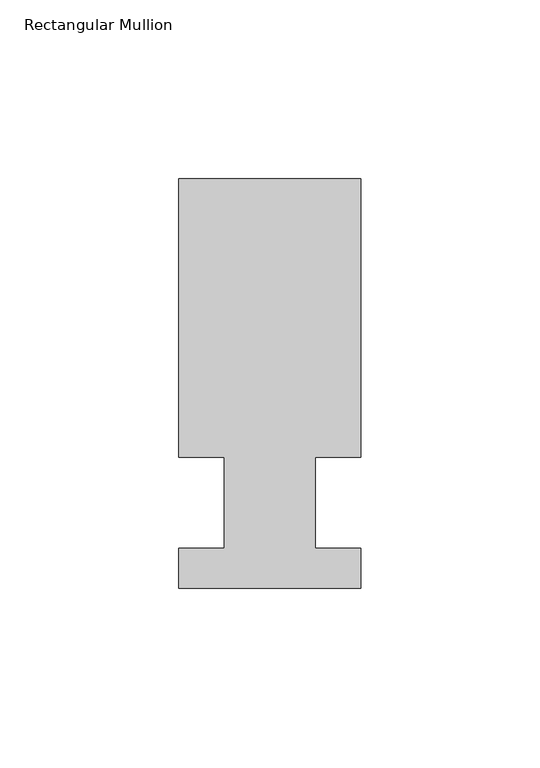
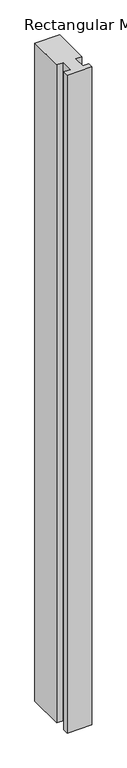
"""IFC4 building model written with IfcOpenShell, lengths in millimetres: member geometry, Rectangular Mullion."""

from ifc_helpers import new_model, si_unit, frame, origin, place, context, project, spatial, polyline, outline, extrude, source, transform, mapped, element, save


def rectangular_mullion_dde3ee9e(model_context):
    return source(origin(), model_context, "Body", "SweptSolid", [
        extrude(outline(polyline([(29.7344027, 90.4875), (29.7344027, 12.7), (17.0326322, 12.7), (17.0326322, -12.7), (29.7344027, -12.7), (29.7344027, -23.8125), (-21.0655973, -23.8125), (-21.0655973, -12.7), (-8.3655973, -12.7), (-8.3655973, 12.7), (-21.0655973, 12.7), (-21.0655973, 90.4875), (29.7344027, 90.4875)])), frame((0.0, 0.0, -1425.6760693), z_axis=(0.0, 0.0, 1.0), x_axis=(1.0, 0.0, 0.0)), (0.0, 0.0, 1.0), 1425.6760693),
    ])


if __name__ == "__main__":
    model = new_model("IFC4")
    model_context = context("Model", 3, world=origin())
    ifc_project = project(units=[si_unit("LENGTHUNIT", "METRE", prefix="MILLI")], contexts=[model_context])
    site = spatial("IfcSite", under=ifc_project)
    building = spatial("IfcBuilding", under=site)
    placement = place(None, origin())
    rectangular_mullion_shape = rectangular_mullion_dde3ee9e(model_context)
    element("IfcMember", 1, ObjectType="Rectangular Mullion", at=placement, inside=building, context=model_context, shape_type="MappedRepresentation", body=[
        mapped(rectangular_mullion_shape, transform((0.0, 0.0, 0.0), x_axis=(1.0, 0.0, 0.0), y_axis=(0.0, 1.0, 0.0), z_axis=(0.0, 0.0, 1.0))),
    ])
    save(model, "model.ifc")
